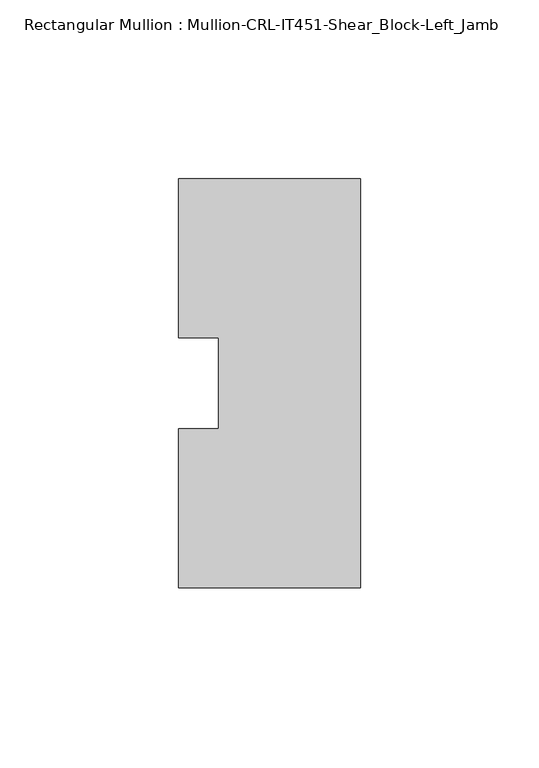
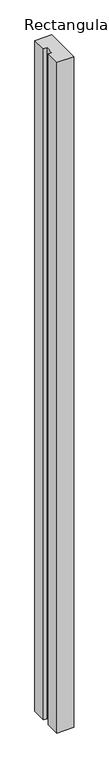
"""IFC4 building model written with IfcOpenShell, lengths in millimetres: member geometry, Rectangular Mullion : Mullion-CRL-IT451-Shear_Block-Left_Jamb."""

from ifc_helpers import new_model, si_unit, frame, origin, place, context, project, spatial, polyline, outline, extrude, source, transform, mapped, element, save


def rectangular_mullion_mullion_crl_it451_shear_block_left_jamb_4338e707(model_context):
    return source(origin(), model_context, "Body", "SweptSolid", [
        extrude(outline(polyline([(0.0, -57.1909821), (-50.8, -57.1909821), (-50.8, -12.7), (-39.6875, -12.7), (-39.6875, 12.7), (-50.8, 12.7), (-50.8, 57.1090179), (0.0, 57.1090179), (0.0, -57.1909821)])), frame((0.0, 0.0, -2133.6), z_axis=(0.0, 0.0, 1.0), x_axis=(1.0, 0.0, 0.0)), (0.0, 0.0, 1.0), 2133.6),
    ])


if __name__ == "__main__":
    model = new_model("IFC4")
    model_context = context("Model", 3, world=origin())
    ifc_project = project(units=[si_unit("LENGTHUNIT", "METRE", prefix="MILLI")], contexts=[model_context])
    site = spatial("IfcSite", under=ifc_project)
    building = spatial("IfcBuilding", under=site)
    placement = place(None, origin())
    rectangular_mullion_mullion_crl_it451_shear_block_left_jamb_shape = rectangular_mullion_mullion_crl_it451_shear_block_left_jamb_4338e707(model_context)
    element("IfcMember", 1, ObjectType="Rectangular Mullion : Mullion-CRL-IT451-Shear_Block-Left_Jamb", at=placement, inside=building, context=model_context, shape_type="MappedRepresentation", body=[
        mapped(rectangular_mullion_mullion_crl_it451_shear_block_left_jamb_shape, transform((0.0, 0.0, 0.0), x_axis=(1.0, 0.0, 0.0), y_axis=(0.0, 1.0, 0.0), z_axis=(0.0, 0.0, 1.0))),
    ])
    save(model, "model.ifc")
